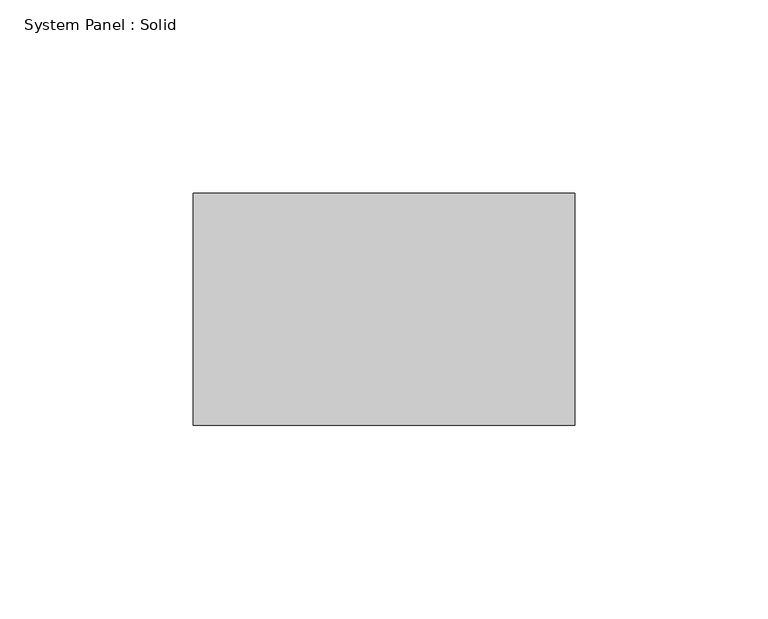
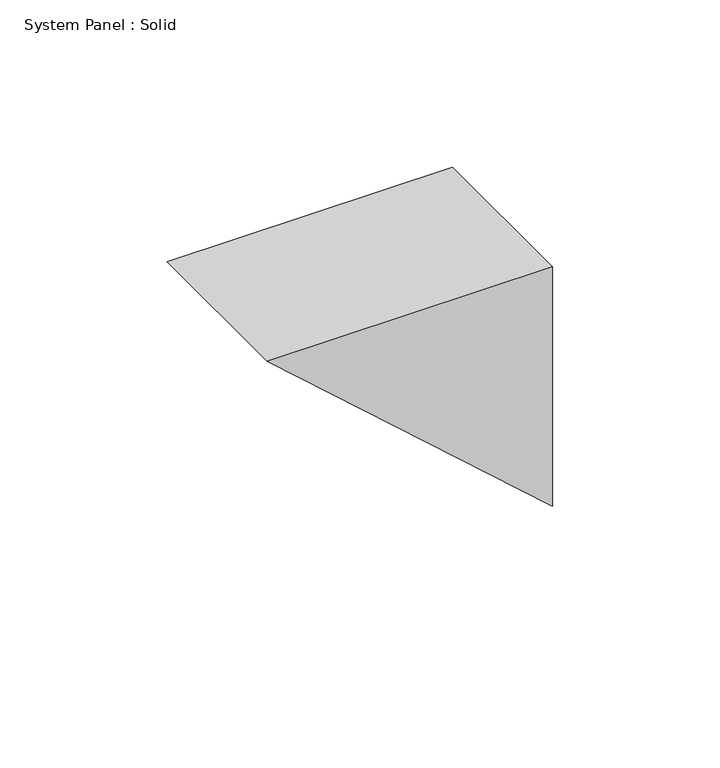
"""IFC4 building model written with IfcOpenShell, lengths in millimetres: plate geometry, System Panel : Solid."""

from ifc_helpers import new_model, si_unit, frame, origin, place, context, project, spatial, polyline, outline, extrude, source, transform, mapped, element, save


def system_panel_solid_a71c155a(model_context):
    return source(origin(), model_context, "Body", "SweptSolid", [
        extrude(outline(polyline([(87.5215255, -49.32484), (0.0, 49.32484), (87.5215255, 49.32484), (87.5215255, -49.32484)])), frame((0.0, -10.5, 0.0), z_axis=(0.0, 1.0, 0.0), x_axis=(0.0, 0.0, 1.0)), (0.0, 0.0, 1.0), 60.0),
    ])


if __name__ == "__main__":
    model = new_model("IFC4")
    model_context = context("Model", 3, world=origin())
    ifc_project = project(units=[si_unit("LENGTHUNIT", "METRE", prefix="MILLI")], contexts=[model_context])
    site = spatial("IfcSite", under=ifc_project)
    building = spatial("IfcBuilding", under=site)
    placement = place(None, origin())
    system_panel_solid_shape = system_panel_solid_a71c155a(model_context)
    element("IfcPlate", 1, ObjectType="System Panel : Solid", at=placement, inside=building, context=model_context, shape_type="MappedRepresentation", body=[
        mapped(system_panel_solid_shape, transform((0.0, 0.0, 0.0), x_axis=(1.0, 0.0, 0.0), y_axis=(0.0, 1.0, 0.0), z_axis=(0.0, 0.0, 1.0))),
    ])
    save(model, "model.ifc")
